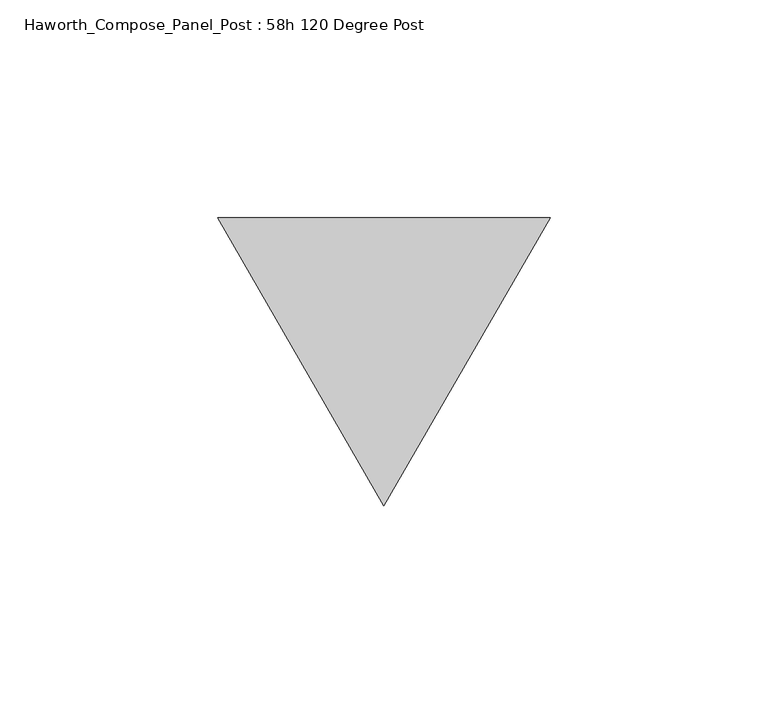
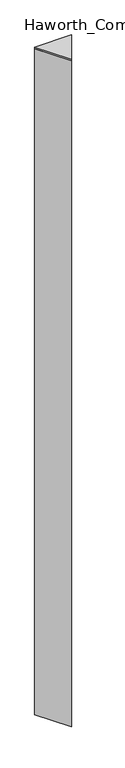
"""IFC4 building model written with IfcOpenShell, lengths in millimetres: furniture geometry, Haworth_Compose_Panel_Post : 58h 120 Degree Post."""

from ifc_helpers import new_model, si_unit, frame, origin, place, context, project, spatial, polyline, outline, extrude, source, transform, mapped, element, save


def haworth_compose_panel_post_58h_120_degree_post_768ab92f(model_context):
    return source(origin(), model_context, "Body", "SweptSolid", [
        extrude(outline(polyline([(76.2, 32.9955679), (38.1, -32.9955679), (0.0, 32.9955679), (76.2, 32.9955679)])), frame((0.0, 0.0, 1466.85), z_axis=(0.0, 0.0, 1.0), x_axis=(1.0, 0.0, 0.0)), (0.0, 0.0, 1.0), 3.175),
        extrude(outline(polyline([(76.2, 32.9955679), (38.1, -32.9955679), (0.0, 32.9955679), (76.2, 32.9955679)])), frame((0.0, 0.0, 12.7), z_axis=(0.0, 0.0, 1.0), x_axis=(1.0, 0.0, 0.0)), (0.0, 0.0, 1.0), 1454.15),
    ])


if __name__ == "__main__":
    model = new_model("IFC4")
    model_context = context("Model", 3, world=origin())
    ifc_project = project(units=[si_unit("LENGTHUNIT", "METRE", prefix="MILLI")], contexts=[model_context])
    site = spatial("IfcSite", under=ifc_project)
    building = spatial("IfcBuilding", under=site)
    placement = place(None, origin())
    haworth_compose_panel_post_58h_120_degree_post_shape = haworth_compose_panel_post_58h_120_degree_post_768ab92f(model_context)
    element("IfcFurniture", 1, ObjectType="Haworth_Compose_Panel_Post : 58h 120 Degree Post", at=placement, inside=building, context=model_context, shape_type="MappedRepresentation", body=[
        mapped(haworth_compose_panel_post_58h_120_degree_post_shape, transform((0.0, 0.0, 0.0), x_axis=(1.0, 0.0, 0.0), y_axis=(0.0, 1.0, 0.0), z_axis=(0.0, 0.0, 1.0))),
    ])
    save(model, "model.ifc")
